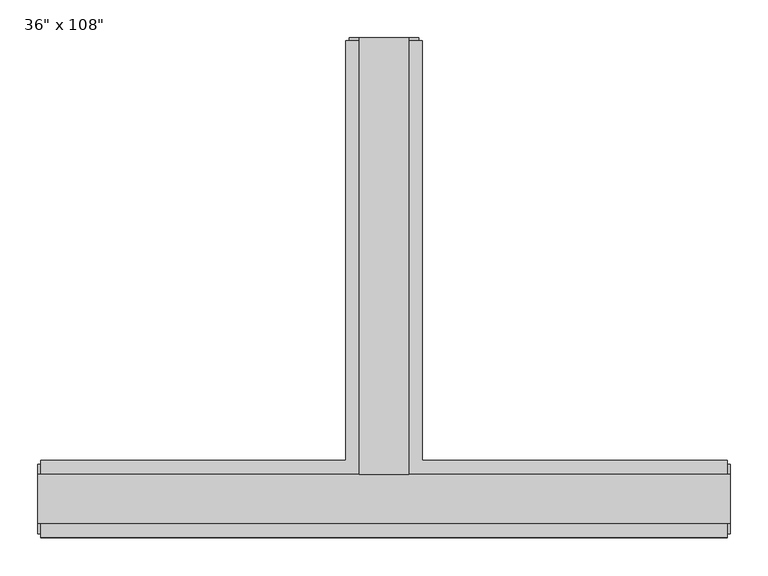
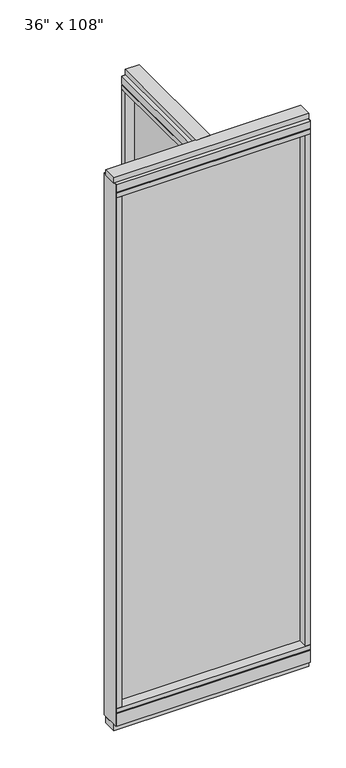
"""IFC4 building model written with IfcOpenShell, lengths in millimetres: furniture geometry."""

from ifc_helpers import new_model, si_unit, frame, origin, origin_with_axes, place, context, project, spatial, polyline, outline, extrude, faceted_brep, source, transform, mapped, element, save


def furniture_198b417f(model_context):
    return source(origin(), model_context, "Body", "SolidModel", [
        extrude(outline(polyline([(-65.1165229, 0.5622784), (-65.1165229, 578.9202784), (-54.9565229, 578.9202784), (-54.9565229, 0.5622784), (-65.1165229, 0.5622784)])), frame((0.0, 0.0, 120.65), z_axis=(0.0, 0.0, 1.0), x_axis=(1.0, 0.0, 0.0)), (0.0, 0.0, 1.0), 2533.777),
        extrude(outline(polyline([(371.0014771, -9.5977216), (-491.0745229, -9.5977216), (-491.0745229, 0.5622784), (371.0014771, 0.5622784), (371.0014771, -9.5977216)])), frame((0.0, 0.0, 120.523), z_axis=(0.0, 0.0, 1.0), x_axis=(1.0, 0.0, 0.0)), (0.0, 0.0, 1.0), 2533.777),
        extrude(outline(polyline([(-110.8365229, 601.1452784), (-9.2365229, 601.1452784), (-9.2365229, 46.2822784), (393.2264771, 46.2822784), (393.2264771, -55.3177216), (-513.2995229, -55.3177216), (-513.2995229, 46.2822784), (-110.8365229, 46.2822784), (-110.8365229, 601.1452784)])), frame((0.0, 0.0, 2654.3), z_axis=(0.0, 0.0, 1.0), x_axis=(1.0, 0.0, 0.0)), (0.0, 0.0, 1.0), 22.225),
        faceted_brep([(-105.8835229, 46.2822784, 2681.478), (-105.8835229, 46.2822784, 2676.525), (-14.1895229, 46.2822784, 2676.525), (-14.1895229, 46.2822784, 2681.478), (-9.2365229, 601.1452784, 2681.478), (-14.1895229, 601.1452784, 2681.478), (-14.1895229, 601.1452784, 2676.525), (-105.8835229, 601.1452784, 2676.525), (-105.8835229, 601.1452784, 2681.478), (-110.8365229, 601.1452784, 2681.478), (-110.8365229, 601.1452784, 2717.8), (-9.2365229, 601.1452784, 2717.8), (-9.2365229, 46.2822784, 2681.478), (393.2264771, 46.2822784, 2681.478), (393.2264771, 41.3292784, 2681.478), (-513.2995229, 41.3292784, 2681.478), (-513.2995229, 46.2822784, 2681.478), (-110.8365229, 46.2822784, 2681.478), (-110.8365229, 46.2822784, 2717.8), (-513.2995229, 46.2822784, 2717.8), (-513.2995229, -55.3177216, 2717.8), (393.2264771, -55.3177216, 2717.8), (393.2264771, 46.2822784, 2717.8), (-9.2365229, 46.2822784, 2717.8), (-513.2995229, -55.3177216, 2681.478), (-513.2995229, 41.3292784, 2676.525), (-513.2995229, -50.3647216, 2676.525), (-513.2995229, -50.3647216, 2681.478), (393.2264771, -55.3177216, 2681.478), (393.2264771, -50.3647216, 2681.478), (393.2264771, -50.3647216, 2676.525), (393.2264771, 41.3292784, 2676.525)], [[[0, 1, 2, 3]], [[4, 5, 6, 7, 8, 9, 10, 11]], [[5, 4, 12, 13, 14, 15, 16, 17, 9, 8, 0, 3]], [[3, 2, 6, 5]], [[2, 1, 7, 6]], [[1, 0, 8, 7]], [[10, 9, 17, 18]], [[11, 10, 18, 19, 20, 21, 22, 23]], [[4, 11, 23, 12]], [[24, 20, 19, 16, 15, 25, 26, 27]], [[28, 29, 30, 31, 14, 13, 22, 21]], [[24, 27, 29, 28]], [[16, 19, 18, 17]], [[22, 13, 12, 23]], [[20, 24, 28, 21]], [[25, 15, 14, 31]], [[26, 25, 31, 30]], [[27, 26, 30, 29]]]),
        faceted_brep([(-14.1895229, 46.2822784, 93.345), (-14.1895229, 46.2822784, 98.298), (-105.8835229, 46.2822784, 98.298), (-105.8835229, 46.2822784, 93.345), (-9.2365229, 601.1452784, 93.345), (-9.2365229, 601.1452784, 31.75), (-110.8365229, 601.1452784, 31.75), (-110.8365229, 601.1452784, 93.345), (-105.8835229, 601.1452784, 93.345), (-105.8835229, 601.1452784, 98.298), (-14.1895229, 601.1452784, 98.298), (-14.1895229, 601.1452784, 93.345), (-110.8365229, 46.2822784, 93.345), (-513.2995229, 46.2822784, 93.345), (-513.2995229, 41.3292784, 93.345), (393.2264771, 41.3292784, 93.345), (393.2264771, 46.2822784, 93.345), (-9.2365229, 46.2822784, 93.345), (-110.8365229, 46.2822784, 31.75), (-9.2365229, 46.2822784, 31.75), (393.2264771, 46.2822784, 31.75), (393.2264771, -55.3177216, 31.75), (-513.2995229, -55.3177216, 31.75), (-513.2995229, 46.2822784, 31.75), (393.2264771, -55.3177216, 93.345), (393.2264771, 41.3292784, 98.298), (393.2264771, -50.3647216, 98.298), (393.2264771, -50.3647216, 93.345), (-513.2995229, -55.3177216, 93.345), (-513.2995229, -50.3647216, 93.345), (-513.2995229, -50.3647216, 98.298), (-513.2995229, 41.3292784, 98.298)], [[[0, 1, 2, 3]], [[4, 5, 6, 7, 8, 9, 10, 11]], [[4, 11, 0, 3, 8, 7, 12, 13, 14, 15, 16, 17]], [[1, 0, 11, 10]], [[2, 1, 10, 9]], [[3, 2, 9, 8]], [[7, 6, 18, 12]], [[6, 5, 19, 20, 21, 22, 23, 18]], [[5, 4, 17, 19]], [[24, 21, 20, 16, 15, 25, 26, 27]], [[28, 29, 30, 31, 14, 13, 23, 22]], [[24, 27, 29, 28]], [[16, 20, 19, 17]], [[23, 13, 12, 18]], [[21, 24, 28, 22]], [[25, 15, 14, 31]], [[26, 25, 31, 30]], [[27, 26, 30, 29]]]),
        extrude(outline(polyline([(-110.8365229, 601.1452784), (-9.2365229, 601.1452784), (-9.2365229, 46.2822784), (393.2264771, 46.2822784), (393.2264771, -55.3177216), (-513.2995229, -55.3177216), (-513.2995229, 46.2822784), (-110.8365229, 46.2822784), (-110.8365229, 601.1452784)])), frame((0.0, 0.0, 98.298), z_axis=(0.0, 0.0, 1.0), x_axis=(1.0, 0.0, 0.0)), (0.0, 0.0, 1.0), 22.225),
        extrude(outline(polyline([(-27.5245229, 27.9942784), (-92.5485229, 27.9942784), (-92.5485229, 605.0822784), (-27.5245229, 605.0822784), (-27.5245229, 27.9942784)])), origin_with_axes(), (0.0, 0.0, 1.0), 31.75),
        extrude(outline(polyline([(-9.2365229, 601.1452784), (-9.2365229, 578.9202784), (-110.8365229, 578.9202784), (-110.8365229, 601.1452784), (-9.2365229, 601.1452784)])), frame((0.0, 0.0, 120.523), z_axis=(0.0, 0.0, 1.0), x_axis=(1.0, 0.0, 0.0)), (0.0, 0.0, 1.0), 2533.777),
        extrude(outline(polyline([(-14.1895229, 605.0822784), (-14.1895229, 601.1452784), (-105.8835229, 601.1452784), (-105.8835229, 605.0822784), (-14.1895229, 605.0822784)])), frame((0.0, 0.0, 31.75), z_axis=(0.0, 0.0, 1.0), x_axis=(1.0, 0.0, 0.0)), (0.0, 0.0, 1.0), 2686.05),
        extrude(outline(polyline([(-27.5245229, 27.9942784), (-92.5485229, 27.9942784), (-92.5485229, 605.0822784), (-27.5245229, 605.0822784), (-27.5245229, 27.9942784)])), frame((0.0, 0.0, 2717.8), z_axis=(0.0, 0.0, 1.0), x_axis=(1.0, 0.0, 0.0)), (0.0, 0.0, 1.0), 25.4),
        extrude(outline(polyline([(397.1634771, 27.9942784), (397.1634771, -37.0297216), (-517.2365229, -37.0297216), (-517.2365229, 27.9942784), (397.1634771, 27.9942784)])), origin_with_axes(), (0.0, 0.0, 1.0), 31.75),
        extrude(outline(polyline([(-517.2365229, -37.0297216), (-517.2365229, 27.9942784), (397.1634771, 27.9942784), (397.1634771, -37.0297216), (-517.2365229, -37.0297216)])), frame((0.0, 0.0, 2717.8), z_axis=(0.0, 0.0, 1.0), x_axis=(1.0, 0.0, 0.0)), (0.0, 0.0, 1.0), 25.4),
        extrude(outline(polyline([(371.0014771, -55.3177216), (371.0014771, 46.2822784), (393.2264771, 46.2822784), (393.2264771, -55.3177216), (371.0014771, -55.3177216)])), frame((0.0, 0.0, 120.523), z_axis=(0.0, 0.0, 1.0), x_axis=(1.0, 0.0, 0.0)), (0.0, 0.0, 1.0), 2533.777),
        extrude(outline(polyline([(-491.0745229, -55.3177216), (-513.2995229, -55.3177216), (-513.2995229, 46.2822784), (-491.0745229, 46.2822784), (-491.0745229, -55.3177216)])), frame((0.0, 0.0, 120.523), z_axis=(0.0, 0.0, 1.0), x_axis=(1.0, 0.0, 0.0)), (0.0, 0.0, 1.0), 2533.777),
        extrude(outline(polyline([(397.1634771, -50.3647216), (393.2264771, -50.3647216), (393.2264771, 41.3292784), (397.1634771, 41.3292784), (397.1634771, -50.3647216)])), frame((0.0, 0.0, 31.75), z_axis=(0.0, 0.0, 1.0), x_axis=(1.0, 0.0, 0.0)), (0.0, 0.0, 1.0), 2686.05),
        extrude(outline(polyline([(-517.2365229, -50.3647216), (-517.2365229, 41.3292784), (-513.2995229, 41.3292784), (-513.2995229, -50.3647216), (-517.2365229, -50.3647216)])), frame((0.0, 0.0, 31.75), z_axis=(0.0, 0.0, 1.0), x_axis=(1.0, 0.0, 0.0)), (0.0, 0.0, 1.0), 2686.05),
    ])


if __name__ == "__main__":
    model = new_model("IFC4")
    model_context = context("Model", 3, world=origin())
    ifc_project = project(units=[si_unit("LENGTHUNIT", "METRE", prefix="MILLI")], contexts=[model_context])
    site = spatial("IfcSite", under=ifc_project)
    building = spatial("IfcBuilding", under=site)
    placement = place(None, origin())
    furniture_shape = furniture_198b417f(model_context)
    element("IfcFurniture", 1, ObjectType="36\" x 108\"", at=placement, inside=building, context=model_context, shape_type="MappedRepresentation", body=[
        mapped(furniture_shape, transform((0.0, 0.0, 0.0), x_axis=(1.0, 0.0, 0.0), y_axis=(0.0, 1.0, 0.0), z_axis=(0.0, 0.0, 1.0))),
    ])
    save(model, "model.ifc")
